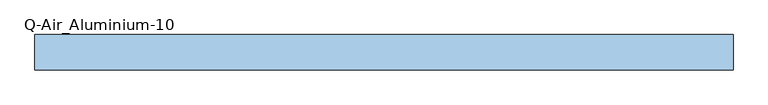
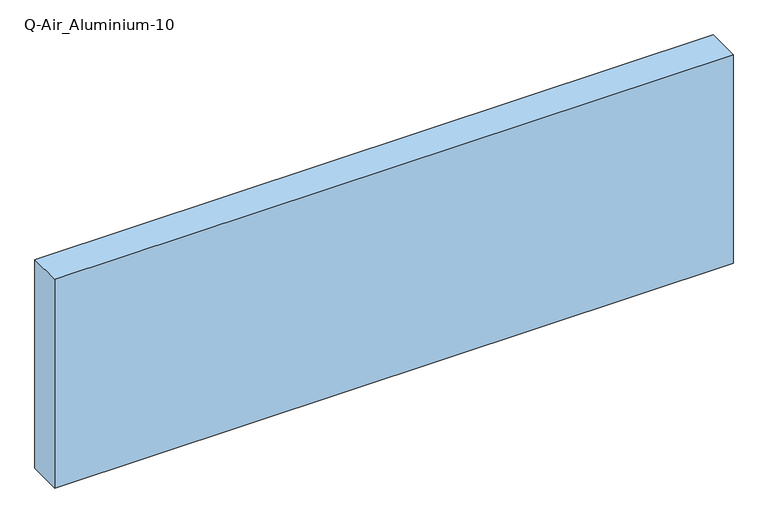
"""IFC4 building model written with IfcOpenShell, lengths in millimetres: window geometry, Q-Air_Aluminium-10."""

from ifc_helpers import new_model, si_unit, origin, origin_with_axes, place, context, project, spatial, polyline, outline, extrude, source, transform, mapped, element, save


def q_air_aluminium_10_8f8d769c(model_context):
    return source(origin(), model_context, "Body", "SweptSolid", [
        extrude(outline(polyline([(1260.0, 0.0), (1260.0, -127.0), (-1260.0, -127.0), (-1260.0, 0.0), (1260.0, 0.0)])), origin_with_axes(), (0.0, 0.0, 1.0), 820.0),
    ])


if __name__ == "__main__":
    model = new_model("IFC4")
    model_context = context("Model", 3, world=origin())
    ifc_project = project(units=[si_unit("LENGTHUNIT", "METRE", prefix="MILLI")], contexts=[model_context])
    site = spatial("IfcSite", under=ifc_project)
    building = spatial("IfcBuilding", under=site)
    placement = place(None, origin())
    q_air_aluminium_10_shape = q_air_aluminium_10_8f8d769c(model_context)
    element("IfcWindow", 1, ObjectType="Q-Air_Aluminium-10", at=placement, inside=building, context=model_context, shape_type="MappedRepresentation", body=[
        mapped(q_air_aluminium_10_shape, transform((0.0, 0.0, 0.0), x_axis=(1.0, 0.0, 0.0), y_axis=(0.0, 1.0, 0.0), z_axis=(0.0, 0.0, 1.0))),
    ])
    save(model, "model.ifc")
